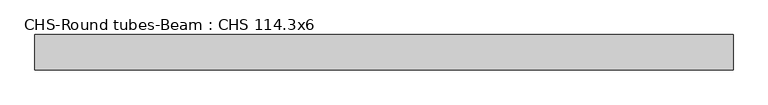
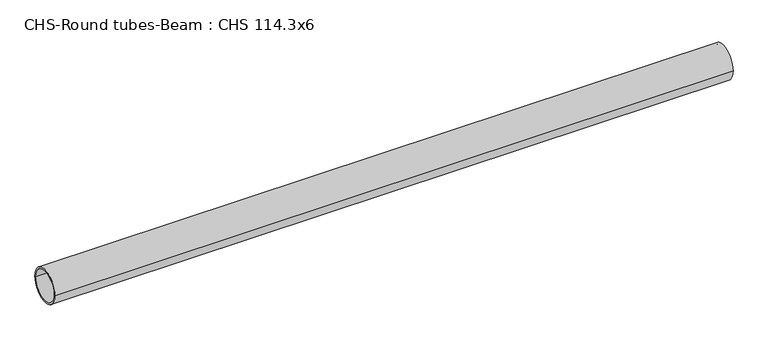
"""IFC4 building model written with IfcOpenShell, lengths in millimetres: beam geometry, CHS-Round tubes-Beam : CHS 114.3x6."""

from ifc_helpers import new_model, si_unit, point, frame, origin, origin_2d, place, context, project, spatial, circle_curve, trimmed, segment, composite_curve, outline, extrude, source, transform, mapped, element, save


def chs_round_tubes_beam_chs_114_3x6_fa761c37(model_context):
    return source(origin(), model_context, "Body", "SweptSolid", [
        extrude(outline(composite_curve([segment(trimmed(circle_curve(origin_2d(), 57.15), [point((57.15, 0.0))], [point((-57.15, 0.0))], False, "CARTESIAN"), True, "CONTINUOUS"), segment(trimmed(circle_curve(origin_2d(), 57.15), [point((-57.15, 0.0))], [point((57.15, 0.0))], False, "CARTESIAN"), True, "CONTINUOUS")], self_intersect=False), holes=[composite_curve([segment(trimmed(circle_curve(origin_2d(), 51.15), [point((51.15, 0.0))], [point((-51.15, 0.0))], True, "CARTESIAN"), True, "CONTINUOUS"), segment(trimmed(circle_curve(origin_2d(), 51.15), [point((-51.15, 0.0))], [point((51.15, 0.0))], True, "CARTESIAN"), True, "CONTINUOUS")], self_intersect=False)]), frame((-1081.493868, 0.0, 0.0), z_axis=(1.0, 0.0, 0.0), x_axis=(0.0, 1.0, 0.0)), (0.0, 0.0, 1.0), 2248.1197457),
    ])


if __name__ == "__main__":
    model = new_model("IFC4")
    model_context = context("Model", 3, world=origin())
    ifc_project = project(units=[si_unit("LENGTHUNIT", "METRE", prefix="MILLI")], contexts=[model_context])
    site = spatial("IfcSite", under=ifc_project)
    building = spatial("IfcBuilding", under=site)
    placement = place(None, origin())
    chs_round_tubes_beam_chs_114_3x6_shape = chs_round_tubes_beam_chs_114_3x6_fa761c37(model_context)
    element("IfcBeam", 1, ObjectType="CHS-Round tubes-Beam : CHS 114.3x6", at=placement, inside=building, context=model_context, shape_type="MappedRepresentation", body=[
        mapped(chs_round_tubes_beam_chs_114_3x6_shape, transform((0.0, 0.0, 0.0), x_axis=(1.0, 0.0, 0.0), y_axis=(0.0, 1.0, 0.0), z_axis=(0.0, 0.0, 1.0))),
    ])
    save(model, "model.ifc")
